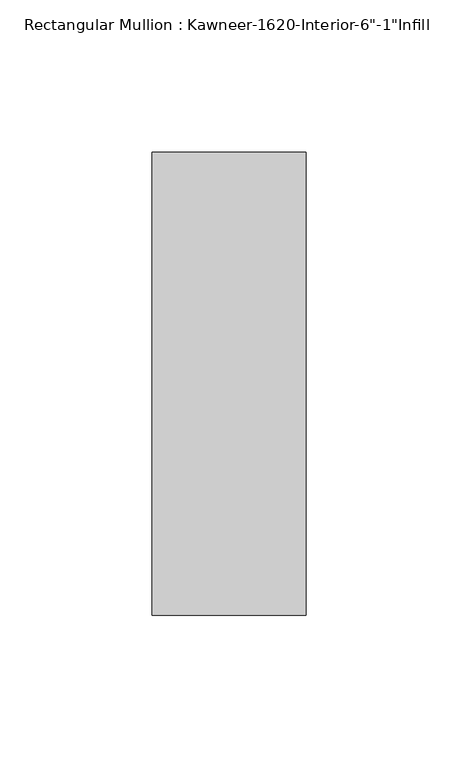
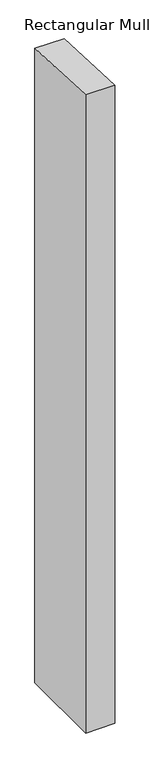
"""IFC4 building model written with IfcOpenShell, lengths in millimetres: member geometry."""

from ifc_helpers import new_model, si_unit, frame, origin, place, context, project, spatial, polyline, outline, extrude, source, transform, mapped, element, save


def member_613833ba(model_context):
    return source(origin(), model_context, "Body", "SweptSolid", [
        extrude(outline(polyline([(-114.3, 5.4063163), (38.1, -1.2476114), (38.1, -1167.3731906), (-114.3, -1167.3731906), (-114.3, 5.4063163)])), frame((-25.4, 0.0, 0.0), z_axis=(1.0, 0.0, 0.0), x_axis=(0.0, 1.0, 0.0)), (0.0, 0.0, 1.0), 50.8),
    ])


if __name__ == "__main__":
    model = new_model("IFC4")
    model_context = context("Model", 3, world=origin())
    ifc_project = project(units=[si_unit("LENGTHUNIT", "METRE", prefix="MILLI")], contexts=[model_context])
    site = spatial("IfcSite", under=ifc_project)
    building = spatial("IfcBuilding", under=site)
    placement = place(None, origin())
    member_shape = member_613833ba(model_context)
    element("IfcMember", 1, ObjectType="Rectangular Mullion : Kawneer-1620-Interior-6\"-1\"Infill", at=placement, inside=building, context=model_context, shape_type="MappedRepresentation", body=[
        mapped(member_shape, transform((0.0, 0.0, 0.0), x_axis=(1.0, 0.0, 0.0), y_axis=(0.0, 1.0, 0.0), z_axis=(0.0, 0.0, 1.0))),
    ])
    save(model, "model.ifc")
